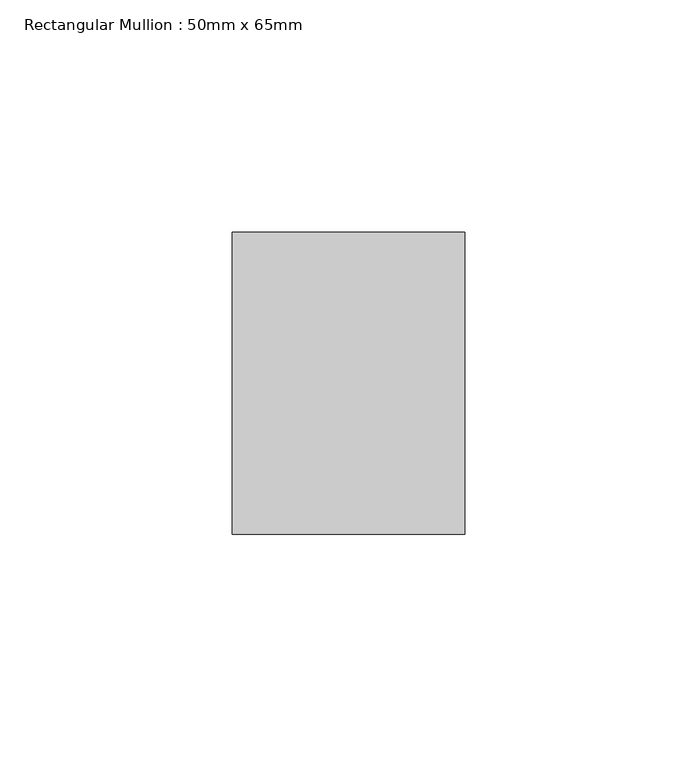
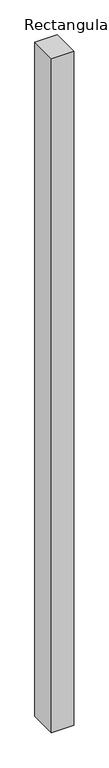
"""IFC4 building model written with IfcOpenShell, lengths in millimetres: member geometry, Rectangular Mullion : 50mm x 65mm."""

from ifc_helpers import new_model, si_unit, frame, origin, place, context, project, spatial, polyline, outline, extrude, source, transform, mapped, element, save


def rectangular_mullion_50mm_x_65mm_53a9f1a9(model_context):
    return source(origin(), model_context, "Body", "SweptSolid", [
        extrude(outline(polyline([(25.0, 32.5), (25.0, -32.5), (-25.0, -32.5), (-25.0, 32.5), (25.0, 32.5)])), frame((0.0, 0.0, -1612.9644505), z_axis=(0.0, 0.0, 1.0), x_axis=(1.0, 0.0, 0.0)), (0.0, 0.0, 1.0), 1612.9644505),
    ])


if __name__ == "__main__":
    model = new_model("IFC4")
    model_context = context("Model", 3, world=origin())
    ifc_project = project(units=[si_unit("LENGTHUNIT", "METRE", prefix="MILLI")], contexts=[model_context])
    site = spatial("IfcSite", under=ifc_project)
    building = spatial("IfcBuilding", under=site)
    placement = place(None, origin())
    rectangular_mullion_50mm_x_65mm_shape = rectangular_mullion_50mm_x_65mm_53a9f1a9(model_context)
    element("IfcMember", 1, ObjectType="Rectangular Mullion : 50mm x 65mm", at=placement, inside=building, context=model_context, shape_type="MappedRepresentation", body=[
        mapped(rectangular_mullion_50mm_x_65mm_shape, transform((0.0, 0.0, 0.0), x_axis=(1.0, 0.0, 0.0), y_axis=(0.0, 1.0, 0.0), z_axis=(0.0, 0.0, 1.0))),
    ])
    save(model, "model.ifc")
